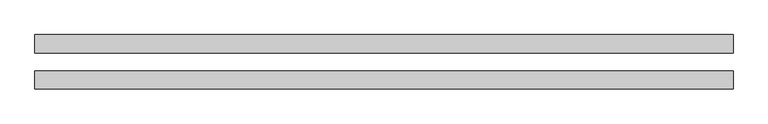
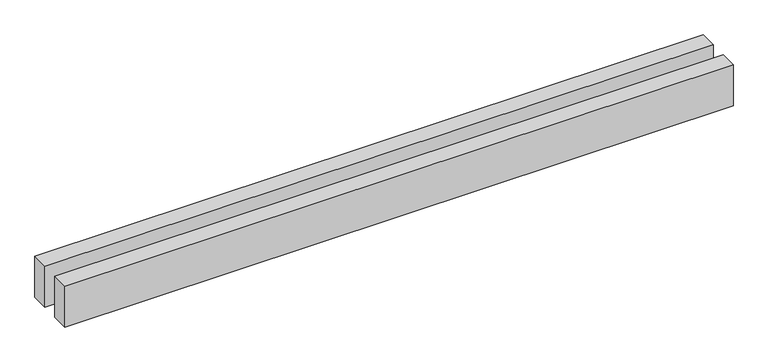
"""IFC4 building model written with IfcOpenShell, lengths in millimetres: proxy geometry."""

from ifc_helpers import new_model, si_unit, origin, origin_with_axes, place, context, project, spatial, polyline, outline, extrude, source, transform, mapped, element, save


def generic_models_c58b1c25(model_context):
    return source(origin(), model_context, "Body", "SweptSolid", [
        extrude(outline(polyline([(7700.0, 300.0), (7700.0, 100.0), (0.0, 100.0), (0.0, 300.0), (7700.0, 300.0)])), origin_with_axes(), (0.0, 0.0, 1.0), 500.0),
        extrude(outline(polyline([(7700.0, -100.0), (7700.0, -300.0), (0.0, -300.0), (0.0, -100.0), (7700.0, -100.0)])), origin_with_axes(), (0.0, 0.0, 1.0), 500.0),
    ])


if __name__ == "__main__":
    model = new_model("IFC4")
    model_context = context("Model", 3, world=origin())
    ifc_project = project(units=[si_unit("LENGTHUNIT", "METRE", prefix="MILLI")], contexts=[model_context])
    site = spatial("IfcSite", under=ifc_project)
    building = spatial("IfcBuilding", under=site)
    placement = place(None, origin())
    generic_models_shape = generic_models_c58b1c25(model_context)
    element("IfcBuildingElementProxy", 1, Name="Generic Models", at=placement, inside=building, context=model_context, shape_type="MappedRepresentation", body=[
        mapped(generic_models_shape, transform((0.0, 0.0, 0.0), x_axis=(1.0, 0.0, 0.0), y_axis=(0.0, 1.0, 0.0), z_axis=(0.0, 0.0, 1.0))),
    ])
    save(model, "model.ifc")
